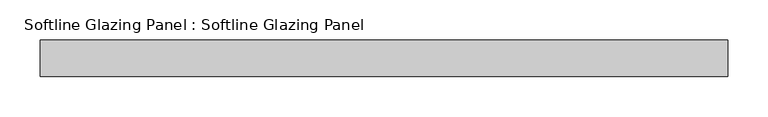
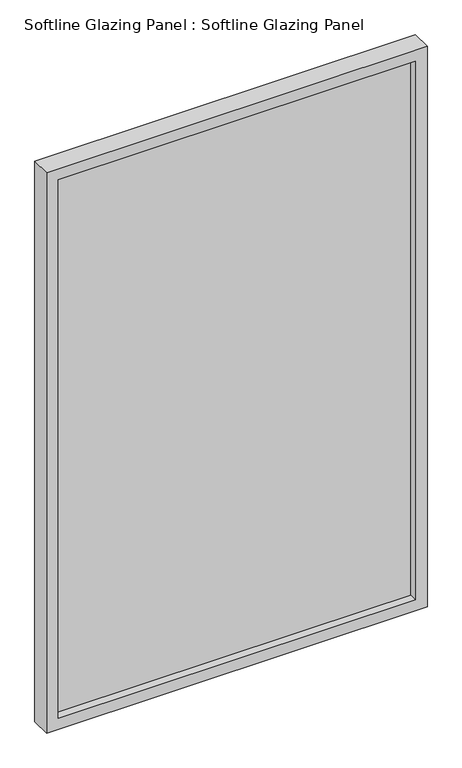
"""IFC4 building model written with IfcOpenShell, lengths in millimetres: plate geometry, Softline Glazing Panel : Softline Glazing Panel."""

from ifc_helpers import new_model, si_unit, frame, origin, place, context, project, spatial, polyline, outline, extrude, faceted_brep, source, transform, mapped, element, save


def softline_glazing_panel_softline_glazing_panel_847d459c(model_context):
    return source(origin(), model_context, "Body", "SolidModel", [
        extrude(outline(polyline([(409.34375, 4.0), (409.34375, -4.0), (-409.34375, -4.0), (-409.34375, 4.0), (409.34375, 4.0)])), frame((0.0, 0.0, 16.0), z_axis=(0.0, 0.0, 1.0), x_axis=(1.0, 0.0, 0.0)), (0.0, 0.0, 1.0), 1291.0),
        faceted_brep([(399.34375, 4.0, 26.0), (399.34375, 22.5, 26.0), (-399.34375, 22.5, 26.0), (-399.34375, 4.0, 26.0), (409.34375, -4.0, 16.0), (409.34375, 4.0, 16.0), (-409.34375, 4.0, 16.0), (-409.34375, -4.0, 16.0), (399.34375, -22.5, 26.0), (399.34375, -4.0, 26.0), (-399.34375, -4.0, 26.0), (-399.34375, -22.5, 26.0), (425.34375, 22.5, 0.0), (425.34375, -22.5, 0.0), (-425.34375, -22.5, 0.0), (-425.34375, 22.5, 0.0), (-399.34375, 22.5, 1297.0), (-399.34375, 4.0, 1297.0), (-409.34375, 4.0, 1307.0), (-409.34375, -4.0, 1307.0), (-399.34375, -4.0, 1297.0), (-399.34375, -22.5, 1297.0), (-425.34375, -22.5, 1323.0), (-425.34375, 22.5, 1323.0), (399.34375, 22.5, 1297.0), (399.34375, 4.0, 1297.0), (409.34375, 4.0, 1307.0), (409.34375, -4.0, 1307.0), (399.34375, -4.0, 1297.0), (399.34375, -22.5, 1297.0), (425.34375, -22.5, 1323.0), (425.34375, 22.5, 1323.0)], [[[0, 1, 2, 3]], [[4, 5, 6, 7]], [[8, 9, 10, 11]], [[12, 13, 14, 15]], [[3, 2, 16, 17]], [[7, 6, 18, 19]], [[11, 10, 20, 21]], [[15, 14, 22, 23]], [[17, 16, 24, 25]], [[19, 18, 26, 27]], [[21, 20, 28, 29]], [[23, 22, 30, 31]], [[15, 23, 31, 12], [1, 24, 16, 2]], [[25, 24, 1, 0]], [[5, 26, 18, 6], [3, 17, 25, 0]], [[27, 26, 5, 4]], [[7, 19, 27, 4], [9, 28, 20, 10]], [[29, 28, 9, 8]], [[13, 30, 22, 14], [11, 21, 29, 8]], [[31, 30, 13, 12]]]),
    ])


if __name__ == "__main__":
    model = new_model("IFC4")
    model_context = context("Model", 3, world=origin())
    ifc_project = project(units=[si_unit("LENGTHUNIT", "METRE", prefix="MILLI")], contexts=[model_context])
    site = spatial("IfcSite", under=ifc_project)
    building = spatial("IfcBuilding", under=site)
    placement = place(None, origin())
    softline_glazing_panel_softline_glazing_panel_shape = softline_glazing_panel_softline_glazing_panel_847d459c(model_context)
    element("IfcPlate", 1, ObjectType="Softline Glazing Panel : Softline Glazing Panel", at=placement, inside=building, context=model_context, shape_type="MappedRepresentation", body=[
        mapped(softline_glazing_panel_softline_glazing_panel_shape, transform((0.0, 0.0, 0.0), x_axis=(1.0, 0.0, 0.0), y_axis=(0.0, 1.0, 0.0), z_axis=(0.0, 0.0, 1.0))),
    ])
    save(model, "model.ifc")
